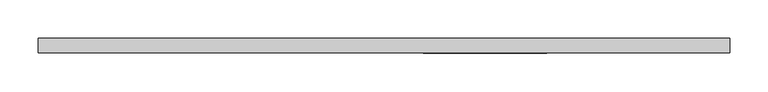
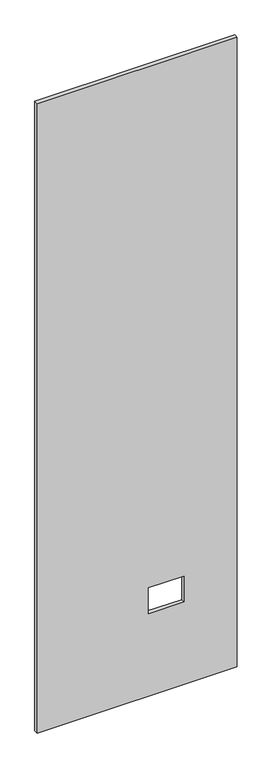
"""IFC4 building model written with IfcOpenShell, lengths in millimetres: proxy geometry."""

from ifc_helpers import new_model, si_unit, frame, origin, place, context, project, spatial, polyline, outline, extrude, source, transform, mapped, element, save


def specialty_equipment_e64db01f(model_context):
    return source(origin(), model_context, "Body", "SweptSolid", [
        extrude(outline(polyline([(2999.5368001, 450.5079114), (2999.5368001, -450.5079114), (3.175, -450.5079114), (3.175, 450.5079114), (2999.5368001, 450.5079114)]), holes=[polyline([(518.9474, 211.8868), (395.4526, 211.8868), (395.4526, 51.3588), (518.9474, 51.3588), (518.9474, 211.8868)])]), frame((0.0, -9.525, 0.0), z_axis=(0.0, 1.0, 0.0), x_axis=(0.0, 0.0, 1.0)), (0.0, 0.0, 1.0), 19.05),
    ])


if __name__ == "__main__":
    model = new_model("IFC4")
    model_context = context("Model", 3, world=origin())
    ifc_project = project(units=[si_unit("LENGTHUNIT", "METRE", prefix="MILLI")], contexts=[model_context])
    site = spatial("IfcSite", under=ifc_project)
    building = spatial("IfcBuilding", under=site)
    placement = place(None, origin())
    specialty_equipment_shape = specialty_equipment_e64db01f(model_context)
    element("IfcBuildingElementProxy", 1, Name="Specialty Equipment", at=placement, inside=building, context=model_context, shape_type="MappedRepresentation", body=[
        mapped(specialty_equipment_shape, transform((0.0, 0.0, 0.0), x_axis=(1.0, 0.0, 0.0), y_axis=(0.0, 1.0, 0.0), z_axis=(0.0, 0.0, 1.0))),
    ])
    save(model, "model.ifc")
